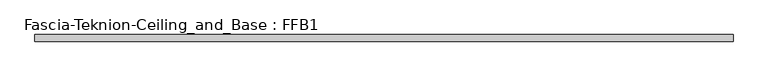
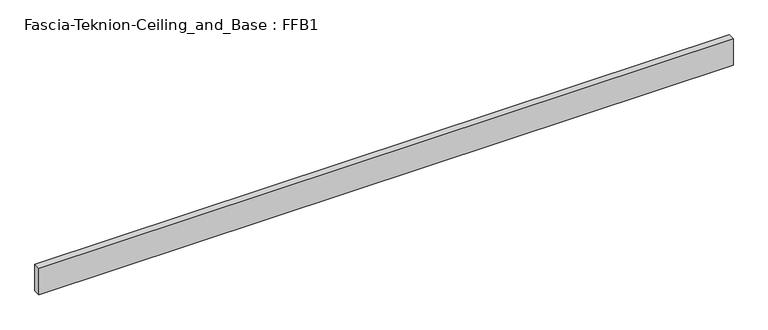
"""IFC4 building model written with IfcOpenShell, lengths in millimetres: proxy geometry, Fascia-Teknion-Ceiling_and_Base : FFB1."""

import ifcopenshell
import ifcopenshell.guid

model = None  # the IFC model being written
_history = None  # IfcOwnerHistory: only IFC2X3 demands one
_inside = {}  # id of a spatial element -> (the spatial element, [elements in it])
_under = {}  # id of a project, library or spatial element -> (it, [spatial elements below it])
_declared = {}  # id of a project -> (the project, [libraries it declares])
_typed = {}  # id of a type object -> (the type object, [elements of that type])
_made_of = {}  # id of a material, layer set ... -> (it, [elements and type objects made of it])


def new_model(schema):
    """Start an empty IFC model of exactly this schema.

    Asked for "IFC4X3", IfcOpenShell would pick the latest addendum, in which some entities
    have other attributes; the version numbers below select the first issue.
    IFC2X3 requires an IfcOwnerHistory on every rooted entity: one is made here for all.
    """
    global model, _history
    if schema == "IFC4X3":
        model = ifcopenshell.file(schema_version=(4, 3, 0, 0))
    else:
        model = ifcopenshell.file(schema=schema)
    _inside.clear()
    _under.clear()
    _declared.clear()
    _typed.clear()
    _made_of.clear()
    _history = None
    if model.schema == "IFC2X3":
        org = make("IfcOrganization", Name="unknown")
        user = make(
            "IfcPersonAndOrganization",
            ThePerson=make("IfcPerson", FamilyName="unknown"),
            TheOrganization=org,
        )
        app = make(
            "IfcApplication",
            ApplicationDeveloper=org,
            Version="unknown",
            ApplicationFullName="unknown",
            ApplicationIdentifier="unknown",
        )
        _history = make(
            "IfcOwnerHistory",
            OwningUser=user,
            OwningApplication=app,
            ChangeAction="ADDED",
            CreationDate=0,
        )
    return model


def make(cls, **values):
    """One entity of the class cls with the attributes given. An attribute that is None is left unset."""
    return model.create_entity(
        cls, **{name: value for name, value in values.items() if value is not None}
    )


def rooted(cls, **values):
    """An entity with a GlobalId (a new one), such as an element, a storey or a relation."""
    return make(cls, GlobalId=ifcopenshell.guid.new(), OwnerHistory=_history, **values)


def si_unit(unit_type, name, prefix=None):
    """IfcSIUnit, for example si_unit("LENGTHUNIT", "METRE", prefix="MILLI")."""
    return make("IfcSIUnit", UnitType=unit_type, Prefix=prefix, Name=name)


def assignment(units):
    """IfcUnitAssignment: the units of a project."""
    return None if units is None else make("IfcUnitAssignment", Units=units)


def point(xyz):
    """IfcCartesianPoint."""
    return None if xyz is None else make("IfcCartesianPoint", Coordinates=xyz)


def direction(xyz):
    """IfcDirection."""
    return None if xyz is None else make("IfcDirection", DirectionRatios=xyz)


def frame(location, z_axis=None, x_axis=None):
    """IfcAxis2Placement3D, a coordinate frame: its origin and axes. An axis left out is left unset."""
    return make(
        "IfcAxis2Placement3D",
        Location=point(location),
        Axis=direction(z_axis),
        RefDirection=direction(x_axis),
    )


def origin():
    """The frame at (0, 0, 0) with its axes left unset."""
    return frame((0.0, 0.0, 0.0))


def origin_with_axes():
    """The frame at (0, 0, 0) with the z axis (0, 0, 1) and the x axis (1, 0, 0) written out."""
    return frame((0.0, 0.0, 0.0), z_axis=(0.0, 0.0, 1.0), x_axis=(1.0, 0.0, 0.0))


def place(relative_to, where):
    """IfcLocalPlacement: puts the frame where relative to a parent placement (None: the world)."""
    return make(
        "IfcLocalPlacement", PlacementRelTo=relative_to, RelativePlacement=where
    )


def context(
    kind, dimensions, precision=None, world=None, true_north=None, identifier=None
):
    """IfcGeometricRepresentationContext, for example the 3D "Model" context."""
    return make(
        "IfcGeometricRepresentationContext",
        ContextIdentifier=identifier,
        ContextType=kind,
        CoordinateSpaceDimension=dimensions,
        Precision=precision,
        WorldCoordinateSystem=world,
        TrueNorth=true_north,
    )


def project(units=None, contexts=None):
    """IfcProject with its units and contexts."""
    return rooted(
        "IfcProject",
        Name="project",
        RepresentationContexts=contexts,
        UnitsInContext=assignment(units),
    )


def spatial(cls, under=None, at=None, **own):
    """A site, building, storey or space (cls), placed at a placement, below another one or the project."""
    s = rooted(cls, ObjectPlacement=at, **own)
    if under is not None:
        _under.setdefault(under.id(), (under, []))[1].append(s)
    return s


def polyline(points):
    """IfcPolyline through the points."""
    return make("IfcPolyline", Points=[point(p) for p in points])


def outline(outer, holes=None, kind="AREA"):
    """IfcArbitraryClosedProfileDef: a profile drawn as a closed curve; with holes, ...WithVoids."""
    if holes is None:
        return make("IfcArbitraryClosedProfileDef", ProfileType=kind, OuterCurve=outer)
    return make(
        "IfcArbitraryProfileDefWithVoids",
        ProfileType=kind,
        OuterCurve=outer,
        InnerCurves=holes,
    )


def extrude(swept, where, along, depth):
    """IfcExtrudedAreaSolid: the profile swept, set in the frame where, extruded along a direction by depth."""
    return make(
        "IfcExtrudedAreaSolid",
        SweptArea=swept,
        Position=where,
        ExtrudedDirection=direction(along),
        Depth=depth,
    )


def shape(context_of_items, identifier, shape_type, items):
    """IfcShapeRepresentation: the items that make up one representation, for example the "Body"."""
    return make(
        "IfcShapeRepresentation",
        ContextOfItems=context_of_items,
        RepresentationIdentifier=identifier,
        RepresentationType=shape_type,
        Items=items,
    )


def source(mapping_origin, context_of_items, identifier, shape_type, items):
    """IfcRepresentationMap: a shape defined once, which mapped items show again and again."""
    return make(
        "IfcRepresentationMap",
        MappingOrigin=mapping_origin,
        MappedRepresentation=shape(context_of_items, identifier, shape_type, items),
    )


def transform(
    local_origin,
    x_axis=None,
    y_axis=None,
    z_axis=None,
    scale=None,
    scale2=None,
    scale3=None,
    uniform=True,
):
    """IfcCartesianTransformationOperator3D, or its non-uniform kind. x_axis, y_axis, z_axis: its Axis1, 2, 3."""
    if uniform:
        return make(
            "IfcCartesianTransformationOperator3D",
            Axis1=direction(x_axis),
            Axis2=direction(y_axis),
            LocalOrigin=point(local_origin),
            Scale=scale,
            Axis3=direction(z_axis),
        )
    return make(
        "IfcCartesianTransformationOperator3DnonUniform",
        Axis1=direction(x_axis),
        Axis2=direction(y_axis),
        LocalOrigin=point(local_origin),
        Scale=scale,
        Axis3=direction(z_axis),
        Scale2=scale2,
        Scale3=scale3,
    )


def mapped(mapping_source, mapping_target):
    """IfcMappedItem: shows the shape of a source again, moved by a transform."""
    return make(
        "IfcMappedItem", MappingSource=mapping_source, MappingTarget=mapping_target
    )


def made_of(thing, what):
    """Note that an element or type object is made of a material, layer set ...; save() writes the relation."""
    if what is not None:
        _made_of.setdefault(what.id(), (what, []))[1].append(thing)
    return thing


def element(
    cls,
    number,
    at=None,
    inside=None,
    cuts=None,
    type_object=None,
    material=None,
    context=None,
    identifier="Body",
    shape_type=None,
    held_by="IfcProductDefinitionShape",
    body=None,
    shapes=None,
    **own,
):
    """One element of the class cls, such as IfcWall. Its Tag is "e" and its number.

    at: its placement. inside: the storey or other place that contains it. cuts: it is an
    opening in that element (IfcRelVoidsElement). A single representation is given by context,
    identifier, shape_type and body (its items); several are given by shapes. held_by: the class
    of the entity that holds the representations. save() writes the other relations.
    """
    e = rooted(cls, Tag="e%d" % number, ObjectPlacement=at, **own)
    if body is not None:
        shapes = [shape(context, identifier, shape_type, body)]
    if shapes is not None:
        e.Representation = make(held_by, Representations=shapes)
    if inside is not None:
        _inside.setdefault(inside.id(), (inside, []))[1].append(e)
    if cuts is not None:
        rooted(
            "IfcRelVoidsElement", RelatingBuildingElement=cuts, RelatedOpeningElement=e
        )
    if type_object is not None:
        _typed.setdefault(type_object.id(), (type_object, []))[1].append(e)
    return made_of(e, material)


def aggregate(whole, parts):
    """IfcRelAggregates: a whole, such as a stair, and the parts it consists of."""
    return rooted("IfcRelAggregates", RelatingObject=whole, RelatedObjects=parts)


def save(model, path):
    """Write the relations noted so far, then the file.

    IfcRelAggregates (storeys below a building ...), IfcRelContainedInSpatialStructure (elements
    in a storey), IfcRelDefinesByType, IfcRelAssociatesMaterial and IfcRelDeclares: one each for
    every whole, place, type object, material and project.
    """
    for whole, parts in _under.values():
        aggregate(whole, parts)
    for where, things in _inside.values():
        rooted(
            "IfcRelContainedInSpatialStructure",
            RelatedElements=things,
            RelatingStructure=where,
        )
    for kind, things in _typed.values():
        rooted("IfcRelDefinesByType", RelatedObjects=things, RelatingType=kind)
    for what, things in _made_of.values():
        rooted("IfcRelAssociatesMaterial", RelatedObjects=things, RelatingMaterial=what)
    for by, libraries in _declared.values():
        rooted("IfcRelDeclares", RelatingContext=by, RelatedDefinitions=libraries)
    model.write(path)


def fascia_teknion_ceiling_and_base_ffb1_eec853f0(model_context):
    return source(origin(), model_context, "Body", "SweptSolid", [
        extrude(outline(polyline([(1005.8356344, 0.0), (-1005.8356344, 0.0), (-1005.8356344, 19.05), (1005.8356344, 19.05), (1005.8356344, 0.0)])), origin_with_axes(), (0.0, 0.0, 1.0), 81.28),
    ])


if __name__ == "__main__":
    model = new_model("IFC4")
    model_context = context("Model", 3, world=origin())
    ifc_project = project(units=[si_unit("LENGTHUNIT", "METRE", prefix="MILLI")], contexts=[model_context])
    site = spatial("IfcSite", under=ifc_project)
    building = spatial("IfcBuilding", under=site)
    placement = place(None, origin())
    fascia_teknion_ceiling_and_base_ffb1_shape = fascia_teknion_ceiling_and_base_ffb1_eec853f0(model_context)
    element("IfcBuildingElementProxy", 1, Name="Fascia-Teknion-Ceiling_and_Base : FFB1", ObjectType="Fascia-Teknion-Ceiling_and_Base : FFB1", at=placement, inside=building, context=model_context, shape_type="MappedRepresentation", body=[
        mapped(fascia_teknion_ceiling_and_base_ffb1_shape, transform((0.0, 0.0, 0.0), x_axis=(1.0, 0.0, 0.0), y_axis=(0.0, 1.0, 0.0), z_axis=(0.0, 0.0, 1.0))),
    ])
    save(model, "model.ifc")
